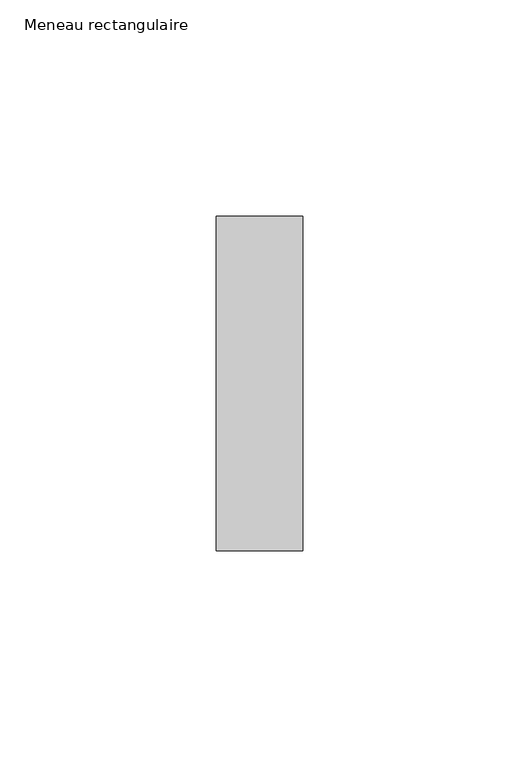
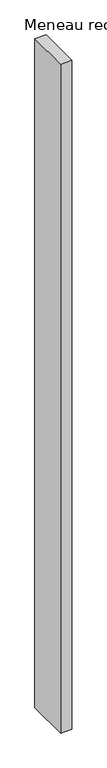
"""IFC4 building model written with IfcOpenShell, lengths in millimetres: member geometry, Meneau rectangulaire."""

from ifc_helpers import new_model, si_unit, frame, origin, place, context, project, spatial, polyline, outline, extrude, source, transform, mapped, element, save


def meneau_rectangulaire_cb848329(model_context):
    return source(origin(), model_context, "Body", "SweptSolid", [
        extrude(outline(polyline([(0.0, 38.75), (0.0, -38.75), (-20.0, -38.75), (-20.0, 38.75), (0.0, 38.75)])), frame((0.0, 0.0, -1234.8749998), z_axis=(0.0, 0.0, 1.0), x_axis=(1.0, 0.0, 0.0)), (0.0, 0.0, 1.0), 1234.8749998),
    ])


if __name__ == "__main__":
    model = new_model("IFC4")
    model_context = context("Model", 3, world=origin())
    ifc_project = project(units=[si_unit("LENGTHUNIT", "METRE", prefix="MILLI")], contexts=[model_context])
    site = spatial("IfcSite", under=ifc_project)
    building = spatial("IfcBuilding", under=site)
    placement = place(None, origin())
    meneau_rectangulaire_shape = meneau_rectangulaire_cb848329(model_context)
    element("IfcMember", 1, ObjectType="Meneau rectangulaire", at=placement, inside=building, context=model_context, shape_type="MappedRepresentation", body=[
        mapped(meneau_rectangulaire_shape, transform((0.0, 0.0, 0.0), x_axis=(1.0, 0.0, 0.0), y_axis=(0.0, 1.0, 0.0), z_axis=(0.0, 0.0, 1.0))),
    ])
    save(model, "model.ifc")
